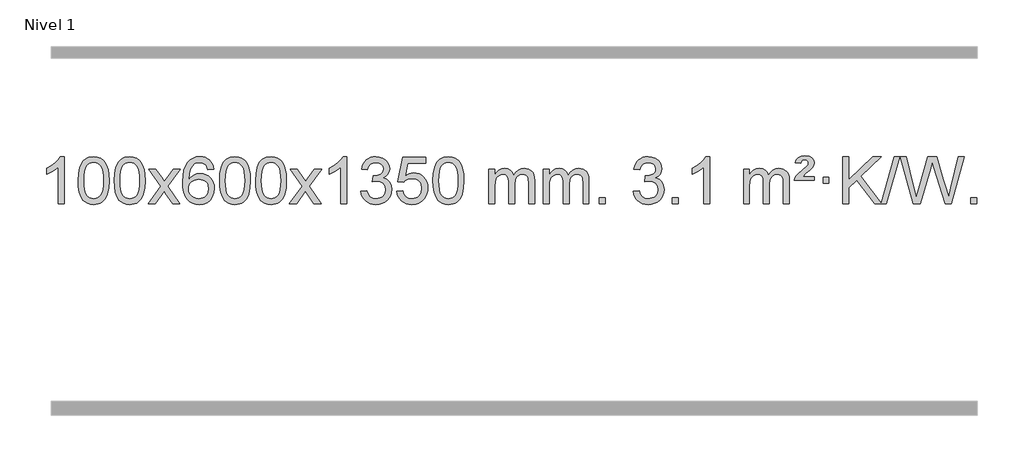
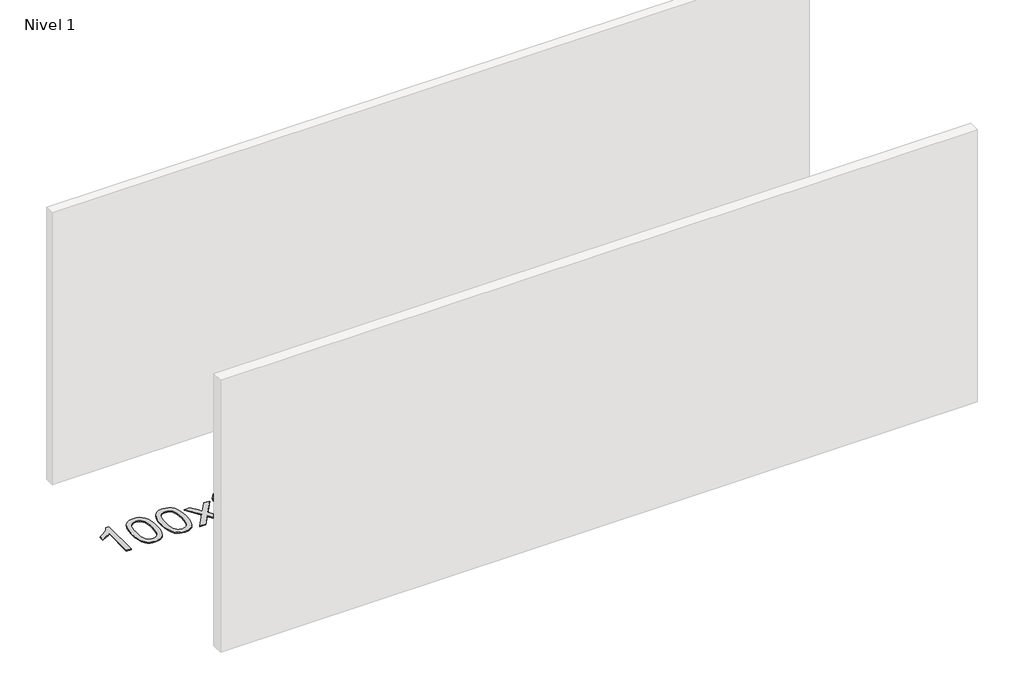
# One storey, part 5 of 10: 1 proxy.
"""IFC4 building model written with IfcOpenShell, lengths in millimetres."""

from ifc_helpers import new_model, si_unit, origin, origin_with_axes, place, context, project, spatial, polyline, outline, extrude, element, save

model = new_model("IFC4")

# Units and contexts
model_context = context("Model", 3, world=origin())
ifc_project = project(units=[si_unit("LENGTHUNIT", "METRE", prefix="MILLI")], contexts=[model_context])

# Site, building, storey
site = spatial("IfcSite", under=ifc_project)
building = spatial("IfcBuilding", under=site)
storey = spatial("IfcBuildingStorey", under=building, Name="Nivel 1", Elevation=0.0)

# Proxy
placement = place(None, origin())
element("IfcBuildingElementProxy", 1, Name="Texto de modelo 1", ObjectType="Texto de modelo 1", at=placement, inside=storey, context=model_context, shape_type="SweptSolid", body=[
    extrude(outline(polyline([(-121.6378538, -9415.579453), (-171.8660089, -9415.579453), (-171.8660089, -9102.4382987), (-192.8352826, -9119.3976587), (-219.4454136, -9136.3324932), (-272.3223191, -9161.6918254), (-272.3223191, -9114.2105225), (-232.8731065, -9092.7507395), (-198.6968691, -9067.219729), (-171.7556443, -9040.0700378), (-154.0114694, -9013.7542124), (-121.6378538, -9013.7542124), (-121.6378538, -9415.579453)])), origin_with_axes(), (0.0, 0.0, 1.0), 10.0),
    extrude(outline(polyline([(-2.3459855, -9217.9041943), (1.3450971, -9153.5861588), (12.4183452, -9102.2911459), (30.763394, -9063.2343407), (42.621457, -9048.0009605), (56.269879, -9035.6309284), (71.7546453, -9026.0598651), (89.1217412, -9019.2233914), (129.5029215, -9013.7542124), (160.4540601, -9016.991574), (188.167837, -9026.7036586), (211.3444027, -9042.5103217), (228.6839074, -9064.0314184), (241.7805065, -9091.0830078), (252.2283551, -9123.4811488), (259.0709602, -9164.6226186), (261.3518286, -9217.9041943), (257.6975341, -9281.8543477), (246.7346507, -9333.0267333), (228.4999664, -9372.1203266), (216.6694946, -9387.3996922), (203.0302696, -9399.8341036), (187.5271092, -9409.4695462), (170.1048311, -9416.3520052), (129.5029215, -9421.8579724), (101.8381955, -9419.4667394), (77.3127291, -9412.2930405), (55.9265225, -9400.3368757), (37.6795755, -9383.5982449), (20.1683926, -9353.3399508), (7.6604047, -9315.6381776), (0.155612, -9270.4929255), (-2.3459855, -9217.9041943)]), holes=[polyline([(47.8821695, -9217.8060924), (49.3536975, -9261.4706195), (53.7682815, -9296.8148822), (61.1259214, -9323.8388804), (71.4266172, -9342.5426142), (83.8855541, -9355.2682656), (97.7179171, -9364.3580165), (112.9237063, -9369.8118671), (129.5029215, -9371.6298173), (146.0821368, -9369.8057357), (161.2879259, -9364.3334911), (175.1202889, -9355.2130833), (187.5792258, -9342.4445124), (197.8799217, -9323.7101217), (205.2375616, -9296.6922549), (209.6521455, -9261.3909118), (211.1236735, -9217.8060924), (209.7011965, -9175.2973278), (205.4337653, -9140.5753989), (198.3213801, -9113.6403055), (188.3640408, -9094.4920476), (176.1135703, -9081.1440625), (162.1217918, -9071.6097875), (146.3887051, -9065.8892225), (128.9143103, -9063.9823675), (112.4209342, -9065.6623619), (97.4726625, -9070.7023452), (84.0694951, -9079.1023175), (72.2114321, -9090.8622786), (61.5673797, -9111.708925), (53.9644852, -9139.8151094), (49.4027484, -9175.1808319), (47.8821695, -9217.8060924)])]), origin_with_axes(), (0.0, 0.0, 1.0), 10.0),
    extrude(outline(polyline([(305.3014643, -9217.9041943), (308.992547, -9153.5861588), (320.065795, -9102.2911459), (338.4108439, -9063.2343407), (350.2689068, -9048.0009605), (363.9173289, -9035.6309284), (379.4020952, -9026.0598651), (396.769191, -9019.2233914), (437.1503714, -9013.7542124), (468.1015099, -9016.991574), (495.8152869, -9026.7036586), (518.9918526, -9042.5103217), (536.3313573, -9064.0314184), (549.4279563, -9091.0830078), (559.8758049, -9123.4811488), (566.7184101, -9164.6226186), (568.9992784, -9217.9041943), (565.3449839, -9281.8543477), (554.3821005, -9333.0267333), (536.1474163, -9372.1203266), (524.3169444, -9387.3996922), (510.6777195, -9399.8341036), (495.174559, -9409.4695462), (477.7522809, -9416.3520052), (437.1503714, -9421.8579724), (409.4856453, -9419.4667394), (384.960179, -9412.2930405), (363.5739723, -9400.3368757), (345.3270254, -9383.5982449), (327.8158424, -9353.3399508), (315.3078546, -9315.6381776), (307.8030619, -9270.4929255), (305.3014643, -9217.9041943)]), holes=[polyline([(355.5296194, -9217.8060924), (357.0011473, -9261.4706195), (361.4157313, -9296.8148822), (368.7733712, -9323.8388804), (379.0740671, -9342.5426142), (391.533004, -9355.2682656), (405.365367, -9364.3580165), (420.5711561, -9369.8118671), (437.1503714, -9371.6298173), (453.7295866, -9369.8057357), (468.9353757, -9364.3334911), (482.7677388, -9355.2130833), (495.2266757, -9342.4445124), (505.5273715, -9323.7101217), (512.8850114, -9296.6922549), (517.2995954, -9261.3909118), (518.7711234, -9217.8060924), (517.3486463, -9175.2973278), (513.0812152, -9140.5753989), (505.9688299, -9113.6403055), (496.0114906, -9094.4920476), (483.7610201, -9081.1440625), (469.7692416, -9071.6097875), (454.0361549, -9065.8892225), (436.5617602, -9063.9823675), (420.068384, -9065.6623619), (405.1201123, -9070.7023452), (391.716945, -9079.1023175), (379.858882, -9090.8622786), (369.2148296, -9111.708925), (361.611935, -9139.8151094), (357.0501983, -9175.1808319), (355.5296194, -9217.8060924)])]), origin_with_axes(), (0.0, 0.0, 1.0), 10.0),
    extrude(outline(polyline([(594.113356, -9415.579453), (701.4367967, -9267.2494325), (600.3918754, -9120.4890419), (660.8226244, -9120.4890419), (709.5792515, -9191.122385), (732.3388843, -9224.4770192), (752.0573592, -9197.2047007), (807.583015, -9120.4890419), (868.0137641, -9120.4890419), (761.8675458, -9267.2494325), (864.0896895, -9415.579453), (803.6589404, -9415.579453), (742.1490708, -9326.4048574), (730.8673563, -9310.1199477), (654.544105, -9415.579453), (594.113356, -9415.579453)])), origin_with_axes(), (0.0, 0.0, 1.0), 10.0),
    extrude(outline(polyline([(1152.9015812, -9120.4890419), (1102.6734261, -9126.7675613), (1094.5800222, -9101.874213), (1083.6416642, -9084.8780648), (1060.857506, -9069.2062918), (1033.3154073, -9063.9823675), (1009.9671633, -9067.0235253), (987.9923455, -9076.1469988), (969.1199991, -9095.3627017), (953.7057435, -9121.8134171), (943.2946831, -9159.227016), (939.4319221, -9211.3313693), (959.5795927, -9187.8237098), (983.7249143, -9171.2567573), (1010.5189863, -9161.434308), (1038.612908, -9158.1601582), (1062.7459669, -9160.398107), (1085.0150903, -9167.1119534), (1105.4202783, -9178.3016975), (1123.9615309, -9193.9673391), (1139.3696551, -9213.1769106), (1150.3754581, -9234.9984443), (1156.97894, -9259.4319401), (1159.1801006, -9286.4773982), (1155.0352967, -9322.4439945), (1142.6008853, -9355.786366), (1122.9069358, -9384.0642287), (1096.9835179, -9404.8372987), (1066.0078539, -9417.602804), (1031.1571662, -9421.8579724), (1001.2146375, -9419.0375437), (974.1722452, -9410.5762579), (950.0299893, -9396.4741147), (928.7878697, -9376.7311143), (911.4698248, -9350.5133908), (899.0997927, -9316.9870783), (891.6777734, -9276.1521768), (889.203767, -9228.0086864), (891.9506193, -9174.0342663), (900.191176, -9127.9693092), (913.9254371, -9089.8138149), (933.1534027, -9059.5677835), (953.9939177, -9039.5243462), (978.1576335, -9025.2076052), (1005.6445499, -9016.6175606), (1036.454667, -9013.7542124), (1059.5883131, -9015.5261773), (1080.52693, -9020.8420722), (1099.2705176, -9029.7018969), (1115.8190761, -9042.1056515), (1129.7250155, -9057.6364031), (1140.5407461, -9075.8772186), (1148.266268, -9096.8280983), (1152.9015812, -9120.4890419)]), holes=[polyline([(939.4319221, -9285.6925832), (942.3381899, -9307.9494439), (951.0569932, -9329.2007605), (964.5950506, -9347.472233), (981.9590807, -9360.7895612), (1002.9160917, -9368.9197533), (1027.2330916, -9371.6298173), (1060.3792594, -9366.0134855), (1074.2943959, -9358.9930708), (1086.4375674, -9349.1644901), (1096.2876078, -9336.9262824), (1103.323351, -9322.6769865), (1108.9519455, -9288.1451299), (1103.3969274, -9254.9989621), (1096.4531547, -9241.3781312), (1086.731873, -9229.725469), (1074.5519133, -9220.3904634), (1060.2321066, -9213.7226022), (1025.1729524, -9208.3883133), (992.0758356, -9213.7226022), (964.3988468, -9229.725469), (953.4758173, -9241.2248471), (945.6736533, -9254.3858254), (940.9923549, -9269.2084042), (939.4319221, -9285.6925832)])]), origin_with_axes(), (0.0, 0.0, 1.0), 10.0),
    extrude(outline(polyline([(1203.1297362, -9217.9041943), (1206.8208189, -9153.5861588), (1217.894067, -9102.2911459), (1236.2391158, -9063.2343407), (1248.0971788, -9048.0009605), (1261.7456008, -9035.6309284), (1277.2303671, -9026.0598651), (1294.597463, -9019.2233914), (1334.9786433, -9013.7542124), (1365.9297818, -9016.991574), (1393.6435588, -9026.7036586), (1416.8201245, -9042.5103217), (1434.1596292, -9064.0314184), (1447.2562282, -9091.0830078), (1457.7040769, -9123.4811488), (1464.546682, -9164.6226186), (1466.8275504, -9217.9041943), (1463.1732559, -9281.8543477), (1452.2103725, -9333.0267333), (1433.9756882, -9372.1203266), (1422.1452164, -9387.3996922), (1408.5059914, -9399.8341036), (1393.002831, -9409.4695462), (1375.5805529, -9416.3520052), (1334.9786433, -9421.8579724), (1307.3139173, -9419.4667394), (1282.7884509, -9412.2930405), (1261.4022443, -9400.3368757), (1243.1552973, -9383.5982449), (1225.6441144, -9353.3399508), (1213.1361265, -9315.6381776), (1205.6313338, -9270.4929255), (1203.1297362, -9217.9041943)]), holes=[polyline([(1253.3578913, -9217.8060924), (1254.8294193, -9261.4706195), (1259.2440032, -9296.8148822), (1266.6016432, -9323.8388804), (1276.902339, -9342.5426142), (1289.3612759, -9355.2682656), (1303.1936389, -9364.3580165), (1318.3994281, -9369.8118671), (1334.9786433, -9371.6298173), (1351.5578586, -9369.8057357), (1366.7636477, -9364.3334911), (1380.5960107, -9355.2130833), (1393.0549476, -9342.4445124), (1403.3556435, -9323.7101217), (1410.7132834, -9296.6922549), (1415.1278673, -9261.3909118), (1416.5993953, -9217.8060924), (1415.1769183, -9175.2973278), (1410.9094871, -9140.5753989), (1403.7971019, -9113.6403055), (1393.8397625, -9094.4920476), (1381.5892921, -9081.1440625), (1367.5975136, -9071.6097875), (1351.8644269, -9065.8892225), (1334.3900321, -9063.9823675), (1317.896656, -9065.6623619), (1302.9483843, -9070.7023452), (1289.5452169, -9079.1023175), (1277.6871539, -9090.8622786), (1267.0431015, -9111.708925), (1259.440207, -9139.8151094), (1254.8784702, -9175.1808319), (1253.3578913, -9217.8060924)])]), origin_with_axes(), (0.0, 0.0, 1.0), 10.0),
    extrude(outline(polyline([(1510.7771861, -9217.9041943), (1514.4682688, -9153.5861588), (1525.5415168, -9102.2911459), (1543.8865656, -9063.2343407), (1555.7446286, -9048.0009605), (1569.3930506, -9035.6309284), (1584.877817, -9026.0598651), (1602.2449128, -9019.2233914), (1642.6260932, -9013.7542124), (1673.5772317, -9016.991574), (1701.2910087, -9026.7036586), (1724.4675743, -9042.5103217), (1741.8070791, -9064.0314184), (1754.9036781, -9091.0830078), (1765.3515267, -9123.4811488), (1772.1941319, -9164.6226186), (1774.4750002, -9217.9041943), (1770.8207057, -9281.8543477), (1759.8578223, -9333.0267333), (1741.6231381, -9372.1203266), (1729.7926662, -9387.3996922), (1716.1534413, -9399.8341036), (1700.6502808, -9409.4695462), (1683.2280027, -9416.3520052), (1642.6260932, -9421.8579724), (1614.9613671, -9419.4667394), (1590.4359008, -9412.2930405), (1569.0496941, -9400.3368757), (1550.8027472, -9383.5982449), (1533.2915642, -9353.3399508), (1520.7835764, -9315.6381776), (1513.2787836, -9270.4929255), (1510.7771861, -9217.9041943)]), holes=[polyline([(1561.0053412, -9217.8060924), (1562.4768691, -9261.4706195), (1566.8914531, -9296.8148822), (1574.249093, -9323.8388804), (1584.5497888, -9342.5426142), (1597.0087258, -9355.2682656), (1610.8410888, -9364.3580165), (1626.0468779, -9369.8118671), (1642.6260932, -9371.6298173), (1659.2053084, -9369.8057357), (1674.4110975, -9364.3334911), (1688.2434606, -9355.2130833), (1700.7023975, -9342.4445124), (1711.0030933, -9323.7101217), (1718.3607332, -9296.6922549), (1722.7753172, -9261.3909118), (1724.2468452, -9217.8060924), (1722.8243681, -9175.2973278), (1718.556937, -9140.5753989), (1711.4445517, -9113.6403055), (1701.4872124, -9094.4920476), (1689.2367419, -9081.1440625), (1675.2449634, -9071.6097875), (1659.5118767, -9065.8892225), (1642.037482, -9063.9823675), (1625.5441058, -9065.6623619), (1610.5958341, -9070.7023452), (1597.1926667, -9079.1023175), (1585.3346038, -9090.8622786), (1574.6905514, -9111.708925), (1567.0876568, -9139.8151094), (1562.5259201, -9175.1808319), (1561.0053412, -9217.8060924)])]), origin_with_axes(), (0.0, 0.0, 1.0), 10.0),
    extrude(outline(polyline([(1799.5890778, -9415.579453), (1906.9125185, -9267.2494325), (1805.8675971, -9120.4890419), (1866.2983462, -9120.4890419), (1915.0549733, -9191.122385), (1937.8146061, -9224.4770192), (1957.533081, -9197.2047007), (2013.0587368, -9120.4890419), (2073.4894859, -9120.4890419), (1967.3432676, -9267.2494325), (2069.5654113, -9415.579453), (2009.1346622, -9415.579453), (1947.6247926, -9326.4048574), (1936.3430781, -9310.1199477), (1860.0198268, -9415.579453), (1799.5890778, -9415.579453)])), origin_with_axes(), (0.0, 0.0, 1.0), 10.0),
    extrude(outline(polyline([(2289.3135897, -9415.579453), (2239.0854347, -9415.579453), (2239.0854347, -9102.4382987), (2218.1161609, -9119.3976587), (2191.50603, -9136.3324932), (2138.6291245, -9161.6918254), (2138.6291245, -9114.2105225), (2178.0783371, -9092.7507395), (2212.2545745, -9067.219729), (2239.1957993, -9040.0700378), (2256.9399742, -9013.7542124), (2289.3135897, -9013.7542124), (2289.3135897, -9415.579453)])), origin_with_axes(), (0.0, 0.0, 1.0), 10.0),
    extrude(outline(polyline([(2408.605458, -9308.8446235), (2458.8336131, -9302.5661041), (2470.0785394, -9334.1303793), (2486.5473901, -9355.4430095), (2509.0495055, -9367.5831154), (2538.3942259, -9371.6298173), (2572.8279807, -9366.0625364), (2587.1018021, -9359.1034354), (2599.4135862, -9349.3606939), (2616.4097344, -9324.4428201), (2622.0751171, -9294.2274455), (2616.4587853, -9265.5449126), (2599.6097899, -9242.2825078), (2574.1033049, -9226.8682522), (2542.5145043, -9221.730167), (2507.2959346, -9227.2238715), (2512.8877409, -9176.9957164), (2520.9320939, -9177.5843276), (2551.0248411, -9173.979084), (2577.9292777, -9163.1633534), (2589.0025257, -9154.9841103), (2596.9119886, -9144.8673555), (2601.6576664, -9132.8130888), (2603.239559, -9118.8213102), (2598.6532968, -9097.1285352), (2584.8945101, -9079.5315131), (2563.9007109, -9067.8696539), (2537.609411, -9063.9823675), (2511.2690602, -9067.9064421), (2489.7357007, -9079.6786659), (2474.0148768, -9099.299039), (2465.1121325, -9126.7675613), (2414.8839774, -9120.4890419), (2420.8375344, -9096.5092672), (2429.6728336, -9075.3867093), (2441.3898752, -9057.1213683), (2455.988659, -9041.713244), (2473.0093327, -9029.4811677), (2491.9920436, -9020.7439703), (2512.9367919, -9015.5016519), (2535.8435774, -9013.7542124), (2567.4201154, -9017.2000404), (2596.4214793, -9027.5375245), (2620.8733693, -9043.8469596), (2638.8014852, -9065.2086408), (2649.8011568, -9089.8199463), (2653.467714, -9115.8782543), (2649.9850978, -9140.1584659), (2639.5372491, -9162.1823347), (2622.2713208, -9180.9443165), (2598.3344657, -9195.4388671), (2629.7761135, -9208.1430586), (2653.0753066, -9229.77452), (2667.4962808, -9259.1560286), (2672.3032722, -9295.1103623), (2669.8997765, -9320.5923218), (2662.6892894, -9344.0631931), (2650.6718109, -9365.5229762), (2633.847341, -9384.971671), (2613.3501825, -9401.1094278), (2590.3146382, -9412.636397), (2564.7407082, -9419.5525785), (2536.6283924, -9421.8579724), (2511.2200092, -9419.8898037), (2488.067969, -9413.9852977), (2467.1722717, -9404.1444543), (2448.5329173, -9390.3672736), (2432.9040638, -9373.4630959), (2421.0398695, -9354.2412617), (2412.9403342, -9332.7017708), (2408.605458, -9308.8446235)])), origin_with_axes(), (0.0, 0.0, 1.0), 10.0),
    extrude(outline(polyline([(2716.2529079, -9308.8446235), (2766.481063, -9302.5661041), (2775.7026383, -9332.7201649), (2791.7913442, -9354.3148381), (2814.6736043, -9367.3010725), (2844.2758422, -9371.6298173), (2863.4057059, -9370.1245668), (2880.2792268, -9365.6088153), (2894.8964047, -9358.0825628), (2907.2572398, -9347.5458094), (2917.0858204, -9334.519721), (2924.1062352, -9319.5254641), (2929.7225669, -9283.6324441), (2924.4618544, -9249.8363514), (2917.8859638, -9235.9181493), (2908.6797168, -9223.9865099), (2896.8124568, -9214.4154467), (2882.2535268, -9207.5789729), (2845.0606571, -9202.1097939), (2820.6946063, -9204.2925604), (2800.9638686, -9210.8408599), (2785.2062565, -9220.8717757), (2772.7595823, -9233.5023908), (2722.5314273, -9227.2238715), (2766.481063, -9020.0327318), (2961.1151639, -9020.0327318), (2961.1151639, -9070.2608869), (2807.0952352, -9070.2608869), (2785.6109267, -9180.919791), (2803.3367075, -9168.2155994), (2821.491684, -9159.1411769), (2840.0758561, -9153.6965234), (2859.0892239, -9151.8816388), (2883.5503109, -9154.1318504), (2906.0187037, -9160.882485), (2926.4944024, -9172.1335427), (2944.977407, -9187.8850234), (2960.2782323, -9207.1743027), (2971.2073933, -9229.038756), (2977.7648898, -9253.4783832), (2979.950722, -9280.4931844), (2977.9825533, -9306.5147042), (2972.0780473, -9330.7213394), (2962.237204, -9353.1130902), (2948.4600232, -9373.6899565), (2927.5888514, -9394.7634634), (2903.2350633, -9409.8159684), (2875.398659, -9418.8474714), (2844.0796385, -9421.8579724), (2818.1592862, -9419.9235262), (2794.7466629, -9414.1201877), (2773.8417685, -9404.447957), (2755.4446031, -9390.9068338), (2740.1376464, -9374.1712688), (2728.5033783, -9354.915712), (2720.5417988, -9333.1401636), (2716.2529079, -9308.8446235)])), origin_with_axes(), (0.0, 0.0, 1.0), 10.0),
    extrude(outline(polyline([(3023.9003577, -9217.9041943), (3027.5914404, -9153.5861588), (3038.6646885, -9102.2911459), (3057.0097373, -9063.2343407), (3068.8678003, -9048.0009605), (3082.5162223, -9035.6309284), (3098.0009886, -9026.0598651), (3115.3680844, -9019.2233914), (3155.7492648, -9013.7542124), (3186.7004033, -9016.991574), (3214.4141803, -9026.7036586), (3237.590746, -9042.5103217), (3254.9302507, -9064.0314184), (3268.0268497, -9091.0830078), (3278.4746984, -9123.4811488), (3285.3173035, -9164.6226186), (3287.5981719, -9217.9041943), (3283.9438774, -9281.8543477), (3272.9809939, -9333.0267333), (3254.7463097, -9372.1203266), (3242.9158379, -9387.3996922), (3229.2766129, -9399.8341036), (3213.7734525, -9409.4695462), (3196.3511743, -9416.3520052), (3155.7492648, -9421.8579724), (3128.0845387, -9419.4667394), (3103.5590724, -9412.2930405), (3082.1728657, -9400.3368757), (3063.9259188, -9383.5982449), (3046.4147358, -9353.3399508), (3033.906748, -9315.6381776), (3026.4019553, -9270.4929255), (3023.9003577, -9217.9041943)]), holes=[polyline([(3074.1285128, -9217.8060924), (3075.6000408, -9261.4706195), (3080.0146247, -9296.8148822), (3087.3722646, -9323.8388804), (3097.6729605, -9342.5426142), (3110.1318974, -9355.2682656), (3123.9642604, -9364.3580165), (3139.1700495, -9369.8118671), (3155.7492648, -9371.6298173), (3172.32848, -9369.8057357), (3187.5342692, -9364.3334911), (3201.3666322, -9355.2130833), (3213.8255691, -9342.4445124), (3224.126265, -9323.7101217), (3231.4839049, -9296.6922549), (3235.8984888, -9261.3909118), (3237.3700168, -9217.8060924), (3235.9475397, -9175.2973278), (3231.6801086, -9140.5753989), (3224.5677233, -9113.6403055), (3214.610384, -9094.4920476), (3202.3599136, -9081.1440625), (3188.368135, -9071.6097875), (3172.6350484, -9065.8892225), (3155.1606536, -9063.9823675), (3138.6672775, -9065.6623619), (3123.7190057, -9070.7023452), (3110.3158384, -9079.1023175), (3098.4577754, -9090.8622786), (3087.813723, -9111.708925), (3080.2108284, -9139.8151094), (3075.6490917, -9175.1808319), (3074.1285128, -9217.8060924)])]), origin_with_axes(), (0.0, 0.0, 1.0), 10.0),
    extrude(outline(polyline([(3501.0678309, -9415.579453), (3501.0678309, -9120.4890419), (3551.295986, -9120.4890419), (3551.295986, -9169.0494653), (3566.4036733, -9146.7435537), (3585.8278426, -9129.2691589), (3608.9063064, -9117.9751816), (3634.9768772, -9114.2105225), (3662.9113833, -9118.048758), (3685.3031341, -9129.5634645), (3702.0295022, -9147.9943524), (3712.9678601, -9172.5811324), (3731.2761208, -9147.0439906), (3752.1595554, -9128.803175), (3775.6181639, -9117.8586857), (3801.6519464, -9114.2105225), (3821.7597632, -9115.7280358), (3839.4089019, -9120.2805755), (3854.5993626, -9127.8681416), (3867.3311453, -9138.4907342), (3877.3957836, -9152.2709806), (3884.5848109, -9169.3315082), (3888.8982273, -9189.6723168), (3890.3360328, -9213.2934066), (3890.3360328, -9415.579453), (3840.1078777, -9415.579453), (3840.1078777, -9234.875817), (3838.942918, -9209.8230531), (3835.4480391, -9192.9372695), (3828.8997396, -9181.3735121), (3818.5745182, -9172.2868268), (3805.2939782, -9166.4007149), (3789.8797226, -9164.4386776), (3762.6687177, -9169.4663982), (3740.4854334, -9184.54956), (3731.8800604, -9196.1194488), (3725.7333654, -9210.7182326), (3720.8160094, -9249.0024856), (3720.8160094, -9415.579453), (3670.5878543, -9415.579453), (3670.5878543, -9229.2840106), (3667.6815865, -9200.8835206), (3658.9627833, -9180.6254854), (3643.6221041, -9168.4853796), (3620.8502086, -9164.4386776), (3601.4996156, -9167.1364789), (3583.6696016, -9175.2298828), (3568.9543218, -9188.5226856), (3558.9479315, -9206.8186835), (3553.2089724, -9232.2025411), (3551.295986, -9266.7589232), (3551.295986, -9415.579453), (3501.0678309, -9415.579453)])), origin_with_axes(), (0.0, 0.0, 1.0), 10.0),
    extrude(outline(polyline([(3965.6782654, -9415.579453), (3965.6782654, -9120.4890419), (4015.9064204, -9120.4890419), (4015.9064204, -9169.0494653), (4031.0141077, -9146.7435537), (4050.4382771, -9129.2691589), (4073.5167409, -9117.9751816), (4099.5873116, -9114.2105225), (4127.5218178, -9118.048758), (4149.9135685, -9129.5634645), (4166.6399366, -9147.9943524), (4177.5782946, -9172.5811324), (4195.8865552, -9147.0439906), (4216.7699898, -9128.803175), (4240.2285984, -9117.8586857), (4266.2623809, -9114.2105225), (4286.3701976, -9115.7280358), (4304.0193363, -9120.2805755), (4319.209797, -9127.8681416), (4331.9415798, -9138.4907342), (4342.006218, -9152.2709806), (4349.1952453, -9169.3315082), (4353.5086617, -9189.6723168), (4354.9464672, -9213.2934066), (4354.9464672, -9415.579453), (4304.7183121, -9415.579453), (4304.7183121, -9234.875817), (4303.5533525, -9209.8230531), (4300.0584735, -9192.9372695), (4293.510174, -9181.3735121), (4283.1849527, -9172.2868268), (4269.9044126, -9166.4007149), (4254.490157, -9164.4386776), (4227.2791521, -9169.4663982), (4205.0958678, -9184.54956), (4196.4904948, -9196.1194488), (4190.3437998, -9210.7182326), (4185.4264438, -9249.0024856), (4185.4264438, -9415.579453), (4135.1982887, -9415.579453), (4135.1982887, -9229.2840106), (4132.292021, -9200.8835206), (4123.5732177, -9180.6254854), (4108.2325385, -9168.4853796), (4085.460643, -9164.4386776), (4066.11005, -9167.1364789), (4048.280036, -9175.2298828), (4033.5647562, -9188.5226856), (4023.5583659, -9206.8186835), (4017.8194068, -9232.2025411), (4015.9064204, -9266.7589232), (4015.9064204, -9415.579453), (3965.6782654, -9415.579453)])), origin_with_axes(), (0.0, 0.0, 1.0), 10.0),
    extrude(outline(polyline([(4442.8457386, -9415.579453), (4442.8457386, -9365.3512979), (4493.0738936, -9365.3512979), (4493.0738936, -9415.579453), (4442.8457386, -9415.579453)])), origin_with_axes(), (0.0, 0.0, 1.0), 10.0),
    extrude(outline(polyline([(4731.6576303, -9308.8446235), (4781.8857853, -9302.5661041), (4793.1307116, -9334.1303793), (4809.5995623, -9355.4430095), (4832.1016777, -9367.5831154), (4861.4463982, -9371.6298173), (4895.8801529, -9366.0625364), (4910.1539743, -9359.1034354), (4922.4657584, -9349.3606939), (4939.4619066, -9324.4428201), (4945.1272893, -9294.2274455), (4939.5109575, -9265.5449126), (4922.6619621, -9242.2825078), (4897.1554772, -9226.8682522), (4865.5666765, -9221.730167), (4830.3481068, -9227.2238715), (4835.9399132, -9176.9957164), (4843.9842661, -9177.5843276), (4874.0770133, -9173.979084), (4900.9814499, -9163.1633534), (4912.054698, -9154.9841103), (4919.9641609, -9144.8673555), (4924.7098386, -9132.8130888), (4926.2917312, -9118.8213102), (4921.705469, -9097.1285352), (4907.9466823, -9079.5315131), (4886.9528832, -9067.8696539), (4860.6615832, -9063.9823675), (4834.3212324, -9067.9064421), (4812.7878729, -9079.6786659), (4797.067049, -9099.299039), (4788.1643047, -9126.7675613), (4737.9361496, -9120.4890419), (4743.8897066, -9096.5092672), (4752.7250058, -9075.3867093), (4764.4420474, -9057.1213683), (4779.0408312, -9041.713244), (4796.0615049, -9029.4811677), (4815.0442158, -9020.7439703), (4835.9889641, -9015.5016519), (4858.8957497, -9013.7542124), (4890.4722876, -9017.2000404), (4919.4736515, -9027.5375245), (4943.9255415, -9043.8469596), (4961.8536574, -9065.2086408), (4972.853329, -9089.8199463), (4976.5198862, -9115.8782543), (4973.03727, -9140.1584659), (4962.5894214, -9162.1823347), (4945.3234931, -9180.9443165), (4921.3866379, -9195.4388671), (4952.8282858, -9208.1430586), (4976.1274788, -9229.77452), (4990.548453, -9259.1560286), (4995.3554444, -9295.1103623), (4992.9519487, -9320.5923218), (4985.7414616, -9344.0631931), (4973.7239831, -9365.5229762), (4956.8995132, -9384.971671), (4936.4023547, -9401.1094278), (4913.3668104, -9412.636397), (4887.7928804, -9419.5525785), (4859.6805646, -9421.8579724), (4834.2721814, -9419.8898037), (4811.1201412, -9413.9852977), (4790.2244439, -9404.1444543), (4771.5850895, -9390.3672736), (4755.956236, -9373.4630959), (4744.0920417, -9354.2412617), (4735.9925064, -9332.7017708), (4731.6576303, -9308.8446235)])), origin_with_axes(), (0.0, 0.0, 1.0), 10.0),
    extrude(outline(polyline([(5064.4191576, -9415.579453), (5064.4191576, -9365.3512979), (5114.6473127, -9365.3512979), (5114.6473127, -9415.579453), (5064.4191576, -9415.579453)])), origin_with_axes(), (0.0, 0.0, 1.0), 10.0),
    extrude(outline(polyline([(5384.6236462, -9415.579453), (5334.3954912, -9415.579453), (5334.3954912, -9102.4382987), (5313.4262174, -9119.3976587), (5286.8160864, -9136.3324932), (5233.939181, -9161.6918254), (5233.939181, -9114.2105225), (5273.3883936, -9092.7507395), (5307.564631, -9067.219729), (5334.5058558, -9040.0700378), (5352.2500307, -9013.7542124), (5384.6236462, -9013.7542124), (5384.6236462, -9415.579453)])), origin_with_axes(), (0.0, 0.0, 1.0), 10.0),
    extrude(outline(polyline([(5673.4355379, -9415.579453), (5673.4355379, -9120.4890419), (5723.663693, -9120.4890419), (5723.663693, -9169.0494653), (5738.7713803, -9146.7435537), (5758.1955496, -9129.2691589), (5781.2740134, -9117.9751816), (5807.3445842, -9114.2105225), (5835.2790903, -9118.048758), (5857.6708411, -9129.5634645), (5874.3972091, -9147.9943524), (5885.3355671, -9172.5811324), (5903.6438278, -9147.0439906), (5924.5272623, -9128.803175), (5947.9858709, -9117.8586857), (5974.0196534, -9114.2105225), (5994.1274702, -9115.7280358), (6011.7766089, -9120.2805755), (6026.9670696, -9127.8681416), (6039.6988523, -9138.4907342), (6049.7634906, -9152.2709806), (6056.9525179, -9169.3315082), (6061.2659343, -9189.6723168), (6062.7037397, -9213.2934066), (6062.7037397, -9415.579453), (6012.4755847, -9415.579453), (6012.4755847, -9234.875817), (6011.310625, -9209.8230531), (6007.8157461, -9192.9372695), (6001.2674465, -9181.3735121), (5990.9422252, -9172.2868268), (5977.6616852, -9166.4007149), (5962.2474296, -9164.4386776), (5935.0364247, -9169.4663982), (5912.8531404, -9184.54956), (5904.2477674, -9196.1194488), (5898.1010724, -9210.7182326), (5893.1837164, -9249.0024856), (5893.1837164, -9415.579453), (5842.9555613, -9415.579453), (5842.9555613, -9229.2840106), (5840.0492935, -9200.8835206), (5831.3304902, -9180.6254854), (5815.989811, -9168.4853796), (5793.2179155, -9164.4386776), (5773.8673226, -9167.1364789), (5756.0373086, -9175.2298828), (5741.3220287, -9188.5226856), (5731.3156385, -9206.8186835), (5725.5766794, -9232.2025411), (5723.663693, -9266.7589232), (5723.663693, -9415.579453), (5673.4355379, -9415.579453)])), origin_with_axes(), (0.0, 0.0, 1.0), 10.0),
    extrude(outline(polyline([(6106.6533754, -9214.6668327), (6110.4793482, -9198.8479069), (6118.8180067, -9182.9799302), (6140.3268407, -9157.8413272), (6172.2835234, -9130.1030247), (6216.4293628, -9092.726214), (6223.5662735, -9081.1992448), (6225.9452437, -9069.3779701), (6224.0567828, -9057.2869152), (6218.3914001, -9047.5012541), (6209.022672, -9041.026531), (6196.0241748, -9038.8682899), (6183.5897634, -9040.4869707), (6174.73607, -9045.343013), (6168.3103978, -9054.8098431), (6163.1600499, -9070.2608869), (6112.9318948, -9063.9823675), (6123.7721509, -9038.7701881), (6140.4004171, -9021.2099542), (6164.165594, -9010.9092583), (6196.4165822, -9007.475693), (6232.1992376, -9011.6082341), (6256.9454332, -9024.0058573), (6271.3664074, -9042.3386434), (6276.1733988, -9064.2766731), (6272.0776459, -9087.1834586), (6259.7903873, -9108.8149199), (6239.262572, -9128.6314968), (6202.7932035, -9156.6886303), (6177.1886166, -9183.2742358), (6276.1733988, -9183.2742358), (6276.1733988, -9214.6668327), (6106.6533754, -9214.6668327)])), origin_with_axes(), (0.0, 0.0, 1.0), 10.0),
    extrude(outline(polyline([(6351.5156314, -9239.7809102), (6351.5156314, -9189.5527552), (6401.7437865, -9189.5527552), (6401.7437865, -9239.7809102), (6351.5156314, -9239.7809102)])), origin_with_axes(), (0.0, 0.0, 1.0), 10.0),
    extrude(outline(polyline([(6792.3854144, -9415.579453), (6638.954097, -9212.9009991), (6571.2638099, -9277.4520265), (6571.2638099, -9415.579453), (6521.0356548, -9415.579453), (6521.0356548, -9013.7542124), (6571.2638099, -9013.7542124), (6571.2638099, -9210.4484525), (6777.2777272, -9013.7542124), (6847.5186628, -9013.7542124), (6674.5650741, -9178.9577537), (6849.218684, -9409.5349332), (6960.5320117, -9013.7542124), (7005.8550735, -9013.7542124), (6892.8417246, -9415.579453), (6853.7971822, -9415.579453), (6847.5186628, -9415.579453), (6792.3854144, -9415.579453)])), origin_with_axes(), (0.0, 0.0, 1.0), 10.0),
    extrude(outline(polyline([(7120.3399504, -9415.579453), (7010.7601668, -9013.7542124), (7062.5579517, -9013.7542124), (7126.1279605, -9277.844434), (7145.7483335, -9359.3670841), (7166.7421327, -9287.2622131), (7246.4008474, -9013.7542124), (7321.056367, -9013.7542124), (7378.9364675, -9212.0180823), (7403.731714, -9285.5944814), (7422.0031864, -9359.3670841), (7441.0349483, -9280.1988788), (7505.1935683, -9013.7542124), (7556.9913532, -9013.7542124), (7447.3134677, -9415.579453), (7393.6517474, -9415.579453), (7297.3157155, -9105.5775584), (7283.87576, -9062.3146358), (7268.7680727, -9114.4067263), (7180.9669032, -9415.579453), (7120.3399504, -9415.579453)])), origin_with_axes(), (0.0, 0.0, 1.0), 10.0),
    extrude(outline(polyline([(7613.4980277, -9415.579453), (7613.4980277, -9365.3512979), (7663.7261827, -9365.3512979), (7663.7261827, -9415.579453), (7613.4980277, -9415.579453)])), origin_with_axes(), (0.0, 0.0, 1.0), 10.0),
])

save(model, "model.ifc")
